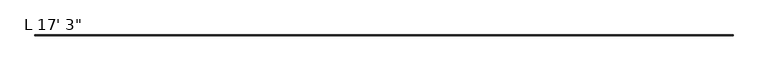
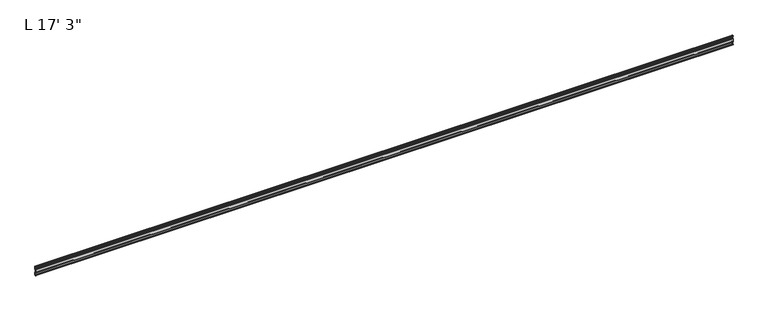
"""IFC4 building model written with IfcOpenShell, lengths in millimetres: proxy geometry."""

import ifcopenshell
import ifcopenshell.guid

model = None  # the IFC model being written
_history = None  # IfcOwnerHistory: only IFC2X3 demands one
_inside = {}  # id of a spatial element -> (the spatial element, [elements in it])
_under = {}  # id of a project, library or spatial element -> (it, [spatial elements below it])
_declared = {}  # id of a project -> (the project, [libraries it declares])
_typed = {}  # id of a type object -> (the type object, [elements of that type])
_made_of = {}  # id of a material, layer set ... -> (it, [elements and type objects made of it])


def new_model(schema):
    """Start an empty IFC model of exactly this schema.

    Asked for "IFC4X3", IfcOpenShell would pick the latest addendum, in which some entities
    have other attributes; the version numbers below select the first issue.
    IFC2X3 requires an IfcOwnerHistory on every rooted entity: one is made here for all.
    """
    global model, _history
    if schema == "IFC4X3":
        model = ifcopenshell.file(schema_version=(4, 3, 0, 0))
    else:
        model = ifcopenshell.file(schema=schema)
    _inside.clear()
    _under.clear()
    _declared.clear()
    _typed.clear()
    _made_of.clear()
    _history = None
    if model.schema == "IFC2X3":
        org = make("IfcOrganization", Name="unknown")
        user = make(
            "IfcPersonAndOrganization",
            ThePerson=make("IfcPerson", FamilyName="unknown"),
            TheOrganization=org,
        )
        app = make(
            "IfcApplication",
            ApplicationDeveloper=org,
            Version="unknown",
            ApplicationFullName="unknown",
            ApplicationIdentifier="unknown",
        )
        _history = make(
            "IfcOwnerHistory",
            OwningUser=user,
            OwningApplication=app,
            ChangeAction="ADDED",
            CreationDate=0,
        )
    return model


def make(cls, **values):
    """One entity of the class cls with the attributes given. An attribute that is None is left unset."""
    return model.create_entity(
        cls, **{name: value for name, value in values.items() if value is not None}
    )


def rooted(cls, **values):
    """An entity with a GlobalId (a new one), such as an element, a storey or a relation."""
    return make(cls, GlobalId=ifcopenshell.guid.new(), OwnerHistory=_history, **values)


def si_unit(unit_type, name, prefix=None):
    """IfcSIUnit, for example si_unit("LENGTHUNIT", "METRE", prefix="MILLI")."""
    return make("IfcSIUnit", UnitType=unit_type, Prefix=prefix, Name=name)


def assignment(units):
    """IfcUnitAssignment: the units of a project."""
    return None if units is None else make("IfcUnitAssignment", Units=units)


def point(xyz):
    """IfcCartesianPoint."""
    return None if xyz is None else make("IfcCartesianPoint", Coordinates=xyz)


def direction(xyz):
    """IfcDirection."""
    return None if xyz is None else make("IfcDirection", DirectionRatios=xyz)


def frame(location, z_axis=None, x_axis=None):
    """IfcAxis2Placement3D, a coordinate frame: its origin and axes. An axis left out is left unset."""
    return make(
        "IfcAxis2Placement3D",
        Location=point(location),
        Axis=direction(z_axis),
        RefDirection=direction(x_axis),
    )


def frame_2d(location, x_axis=None):
    """IfcAxis2Placement2D, a coordinate frame in the plane: its origin and x axis."""
    return make(
        "IfcAxis2Placement2D", Location=point(location), RefDirection=direction(x_axis)
    )


def origin():
    """The frame at (0, 0, 0) with its axes left unset."""
    return frame((0.0, 0.0, 0.0))


def place(relative_to, where):
    """IfcLocalPlacement: puts the frame where relative to a parent placement (None: the world)."""
    return make(
        "IfcLocalPlacement", PlacementRelTo=relative_to, RelativePlacement=where
    )


def context(
    kind, dimensions, precision=None, world=None, true_north=None, identifier=None
):
    """IfcGeometricRepresentationContext, for example the 3D "Model" context."""
    return make(
        "IfcGeometricRepresentationContext",
        ContextIdentifier=identifier,
        ContextType=kind,
        CoordinateSpaceDimension=dimensions,
        Precision=precision,
        WorldCoordinateSystem=world,
        TrueNorth=true_north,
    )


def project(units=None, contexts=None):
    """IfcProject with its units and contexts."""
    return rooted(
        "IfcProject",
        Name="project",
        RepresentationContexts=contexts,
        UnitsInContext=assignment(units),
    )


def spatial(cls, under=None, at=None, **own):
    """A site, building, storey or space (cls), placed at a placement, below another one or the project."""
    s = rooted(cls, ObjectPlacement=at, **own)
    if under is not None:
        _under.setdefault(under.id(), (under, []))[1].append(s)
    return s


def polyline(points):
    """IfcPolyline through the points."""
    return make("IfcPolyline", Points=[point(p) for p in points])


def circle_curve(where, radius):
    """IfcCircle in the frame where."""
    return make("IfcCircle", Position=where, Radius=radius)


def trimmed(basis, trim1, trim2, sense, master):
    """IfcTrimmedCurve: the piece of a basis curve between two trims."""
    return make(
        "IfcTrimmedCurve",
        BasisCurve=basis,
        Trim1=trim1,
        Trim2=trim2,
        SenseAgreement=sense,
        MasterRepresentation=master,
    )


def segment(curve, same_sense, transition):
    """IfcCompositeCurveSegment."""
    return make(
        "IfcCompositeCurveSegment",
        Transition=transition,
        SameSense=same_sense,
        ParentCurve=curve,
    )


def composite_curve(segments, self_intersect=None):
    """IfcCompositeCurve: segments joined end to end."""
    return make("IfcCompositeCurve", Segments=segments, SelfIntersect=self_intersect)


def outline(outer, holes=None, kind="AREA"):
    """IfcArbitraryClosedProfileDef: a profile drawn as a closed curve; with holes, ...WithVoids."""
    if holes is None:
        return make("IfcArbitraryClosedProfileDef", ProfileType=kind, OuterCurve=outer)
    return make(
        "IfcArbitraryProfileDefWithVoids",
        ProfileType=kind,
        OuterCurve=outer,
        InnerCurves=holes,
    )


def extrude(swept, where, along, depth):
    """IfcExtrudedAreaSolid: the profile swept, set in the frame where, extruded along a direction by depth."""
    return make(
        "IfcExtrudedAreaSolid",
        SweptArea=swept,
        Position=where,
        ExtrudedDirection=direction(along),
        Depth=depth,
    )


def shape(context_of_items, identifier, shape_type, items):
    """IfcShapeRepresentation: the items that make up one representation, for example the "Body"."""
    return make(
        "IfcShapeRepresentation",
        ContextOfItems=context_of_items,
        RepresentationIdentifier=identifier,
        RepresentationType=shape_type,
        Items=items,
    )


def source(mapping_origin, context_of_items, identifier, shape_type, items):
    """IfcRepresentationMap: a shape defined once, which mapped items show again and again."""
    return make(
        "IfcRepresentationMap",
        MappingOrigin=mapping_origin,
        MappedRepresentation=shape(context_of_items, identifier, shape_type, items),
    )


def transform(
    local_origin,
    x_axis=None,
    y_axis=None,
    z_axis=None,
    scale=None,
    scale2=None,
    scale3=None,
    uniform=True,
):
    """IfcCartesianTransformationOperator3D, or its non-uniform kind. x_axis, y_axis, z_axis: its Axis1, 2, 3."""
    if uniform:
        return make(
            "IfcCartesianTransformationOperator3D",
            Axis1=direction(x_axis),
            Axis2=direction(y_axis),
            LocalOrigin=point(local_origin),
            Scale=scale,
            Axis3=direction(z_axis),
        )
    return make(
        "IfcCartesianTransformationOperator3DnonUniform",
        Axis1=direction(x_axis),
        Axis2=direction(y_axis),
        LocalOrigin=point(local_origin),
        Scale=scale,
        Axis3=direction(z_axis),
        Scale2=scale2,
        Scale3=scale3,
    )


def mapped(mapping_source, mapping_target):
    """IfcMappedItem: shows the shape of a source again, moved by a transform."""
    return make(
        "IfcMappedItem", MappingSource=mapping_source, MappingTarget=mapping_target
    )


def made_of(thing, what):
    """Note that an element or type object is made of a material, layer set ...; save() writes the relation."""
    if what is not None:
        _made_of.setdefault(what.id(), (what, []))[1].append(thing)
    return thing


def element(
    cls,
    number,
    at=None,
    inside=None,
    cuts=None,
    type_object=None,
    material=None,
    context=None,
    identifier="Body",
    shape_type=None,
    held_by="IfcProductDefinitionShape",
    body=None,
    shapes=None,
    **own,
):
    """One element of the class cls, such as IfcWall. Its Tag is "e" and its number.

    at: its placement. inside: the storey or other place that contains it. cuts: it is an
    opening in that element (IfcRelVoidsElement). A single representation is given by context,
    identifier, shape_type and body (its items); several are given by shapes. held_by: the class
    of the entity that holds the representations. save() writes the other relations.
    """
    e = rooted(cls, Tag="e%d" % number, ObjectPlacement=at, **own)
    if body is not None:
        shapes = [shape(context, identifier, shape_type, body)]
    if shapes is not None:
        e.Representation = make(held_by, Representations=shapes)
    if inside is not None:
        _inside.setdefault(inside.id(), (inside, []))[1].append(e)
    if cuts is not None:
        rooted(
            "IfcRelVoidsElement", RelatingBuildingElement=cuts, RelatedOpeningElement=e
        )
    if type_object is not None:
        _typed.setdefault(type_object.id(), (type_object, []))[1].append(e)
    return made_of(e, material)


def aggregate(whole, parts):
    """IfcRelAggregates: a whole, such as a stair, and the parts it consists of."""
    return rooted("IfcRelAggregates", RelatingObject=whole, RelatedObjects=parts)


def save(model, path):
    """Write the relations noted so far, then the file.

    IfcRelAggregates (storeys below a building ...), IfcRelContainedInSpatialStructure (elements
    in a storey), IfcRelDefinesByType, IfcRelAssociatesMaterial and IfcRelDeclares: one each for
    every whole, place, type object, material and project.
    """
    for whole, parts in _under.values():
        aggregate(whole, parts)
    for where, things in _inside.values():
        rooted(
            "IfcRelContainedInSpatialStructure",
            RelatedElements=things,
            RelatingStructure=where,
        )
    for kind, things in _typed.values():
        rooted("IfcRelDefinesByType", RelatedObjects=things, RelatingType=kind)
    for what, things in _made_of.values():
        rooted("IfcRelAssociatesMaterial", RelatedObjects=things, RelatingMaterial=what)
    for by, libraries in _declared.values():
        rooted("IfcRelDeclares", RelatingContext=by, RelatedDefinitions=libraries)
    model.write(path)


def proxy_6b7eba02(model_context):
    return source(origin(), model_context, "Body", "SweptSolid", [
        extrude(outline(composite_curve([segment(trimmed(circle_curve(frame_2d((14.5481808, -29.2063136)), 3.048), [point((13.6400687, -32.1158903))], [point((11.9462301, -30.7938136))], False, "CARTESIAN"), True, "CONTINUOUS"), segment(trimmed(circle_curve(frame_2d((14.5481808, -29.2063136)), 3.048), [point((11.9462301, -30.7938136))], [point((13.6400687, -26.2967369))], False, "CARTESIAN"), True, "CONTINUOUS"), segment(polyline([(13.6400687, -26.2967369), (15.4364113, -25.7360779)]), True, "CONTINUOUS"), segment(trimmed(circle_curve(frame_2d((15.6245238, -26.2747792)), 0.5706009), [point((15.4364113, -25.7360779))], [point((16.1779173, -26.4138515))], False, "CARTESIAN"), True, "CONTINUOUS"), segment(trimmed(circle_curve(frame_2d((16.9169378, -26.5995734)), 0.762), [point((16.1779173, -26.4138515))], [point((16.9376166, -27.3612928))], True, "CARTESIAN"), True, "CONTINUOUS"), segment(trimmed(circle_curve(frame_2d((16.9545, -26.8535734)), 0.508), [point((16.9376166, -27.3612928))], [point((17.4625, -26.8535734))], True, "CARTESIAN"), True, "CONTINUOUS"), segment(polyline([(17.4625, -26.8535734), (17.4625, -15.6659614), (17.9716639, -14.7485418), (17.9716639, -13.408381), (17.4625, -12.4909614), (17.4625, -10.1123329)]), True, "CONTINUOUS"), segment(trimmed(circle_curve(frame_2d((15.875, -10.1123329)), 1.5875), [point((17.4625, -10.1123329))], [point((15.875, -8.5248329))], True, "CARTESIAN"), True, "CONTINUOUS"), segment(polyline([(15.875, -8.5248329), (11.1125, -8.5248329), (11.1125, 16.902011), (15.875, 16.902011)]), True, "CONTINUOUS"), segment(trimmed(circle_curve(frame_2d((15.875, 18.489511)), 1.5875), [point((15.875, 16.902011))], [point((17.4625, 18.489511))], True, "CARTESIAN"), True, "CONTINUOUS"), segment(polyline([(17.4625, 18.489511), (17.4625, 20.8681395), (17.9716639, 21.7855591), (17.9716639, 23.1257199), (17.4625, 24.0431395), (17.4625, 35.2307515)]), True, "CONTINUOUS"), segment(trimmed(circle_curve(frame_2d((16.9545, 35.2307515)), 0.508), [point((17.4625, 35.2307515))], [point((16.9376166, 35.7384709))], True, "CARTESIAN"), True, "CONTINUOUS"), segment(trimmed(circle_curve(frame_2d((16.9169378, 34.9767515)), 0.762), [point((16.9376166, 35.7384709))], [point((16.1779173, 34.7910296))], True, "CARTESIAN"), True, "CONTINUOUS"), segment(trimmed(circle_curve(frame_2d((15.6245238, 34.6519573)), 0.5706009), [point((16.1779173, 34.7910296))], [point((15.4364113, 34.113256))], False, "CARTESIAN"), True, "CONTINUOUS"), segment(polyline([(15.4364113, 34.113256), (13.6400687, 34.673915)]), True, "CONTINUOUS"), segment(trimmed(circle_curve(frame_2d((14.5481808, 37.5834917)), 3.048), [point((13.6400687, 34.673915))], [point((11.9462301, 39.1709917))], False, "CARTESIAN"), True, "CONTINUOUS"), segment(trimmed(circle_curve(frame_2d((14.5481808, 37.5834917)), 3.048), [point((11.9462301, 39.1709917))], [point((13.6400687, 40.4930684))], False, "CARTESIAN"), True, "CONTINUOUS"), segment(polyline([(13.6400687, 40.4930684), (15.4750158, 41.0657763)]), True, "CONTINUOUS"), segment(trimmed(circle_curve(frame_2d((15.6853088, 40.6458616)), 0.4696291), [point((15.4750158, 41.0657763))], [point((16.1549378, 40.6458616))], False, "CARTESIAN"), True, "CONTINUOUS"), segment(polyline([(16.1549378, 40.6458616), (16.1549378, 39.1042515)]), True, "CONTINUOUS"), segment(trimmed(circle_curve(frame_2d((17.7424378, 39.1042515)), 1.5875), [point((16.1549378, 39.1042515))], [point((17.7424378, 37.5167515))], True, "CARTESIAN"), True, "CONTINUOUS"), segment(polyline([(17.7424378, 37.5167515), (19.05, 37.5167515), (19.05, 16.8792515)]), True, "CONTINUOUS"), segment(trimmed(circle_curve(frame_2d((17.4625, 16.8792515)), 1.5875), [point((19.05, 16.8792515))], [point((17.4625, 15.2917515))], False, "CARTESIAN"), True, "CONTINUOUS"), segment(polyline([(17.4625, 15.2917515), (12.7, 15.2917515), (12.7, -6.9145734), (17.4625, -6.9145734)]), True, "CONTINUOUS"), segment(trimmed(circle_curve(frame_2d((17.4625, -8.5020734)), 1.5875), [point((17.4625, -6.9145734))], [point((19.05, -8.5020734))], False, "CARTESIAN"), True, "CONTINUOUS"), segment(polyline([(19.05, -8.5020734), (19.05, -29.1395734), (17.7424378, -29.1395734)]), True, "CONTINUOUS"), segment(trimmed(circle_curve(frame_2d((17.7424378, -30.7270734)), 1.5875), [point((17.7424378, -29.1395734))], [point((16.1549378, -30.7270734))], True, "CARTESIAN"), True, "CONTINUOUS"), segment(polyline([(16.1549378, -30.7270734), (16.1549378, -32.2686835)]), True, "CONTINUOUS"), segment(trimmed(circle_curve(frame_2d((15.6853088, -32.2686835)), 0.4696291), [point((16.1549378, -32.2686835))], [point((15.4750158, -32.6885982))], False, "CARTESIAN"), True, "CONTINUOUS"), segment(polyline([(15.4750158, -32.6885982), (13.6400687, -32.1158903)]), True, "CONTINUOUS")], self_intersect=False)), frame((-4953.0, 0.0, 0.0), z_axis=(1.0, 0.0, 0.0), x_axis=(0.0, 1.0, 0.0)), (0.0, 0.0, 1.0), 5257.8),
    ])


if __name__ == "__main__":
    model = new_model("IFC4")
    model_context = context("Model", 3, world=origin())
    ifc_project = project(units=[si_unit("LENGTHUNIT", "METRE", prefix="MILLI")], contexts=[model_context])
    site = spatial("IfcSite", under=ifc_project)
    building = spatial("IfcBuilding", under=site)
    placement = place(None, origin())
    proxy_shape = proxy_6b7eba02(model_context)
    element("IfcBuildingElementProxy", 1, Name="L 17' 3\"", ObjectType="L 17' 3\"", at=placement, inside=building, context=model_context, shape_type="MappedRepresentation", body=[
        mapped(proxy_shape, transform((0.0, 0.0, 0.0), x_axis=(1.0, 0.0, 0.0), y_axis=(0.0, 1.0, 0.0), z_axis=(0.0, 0.0, 1.0))),
    ])
    save(model, "model.ifc")
